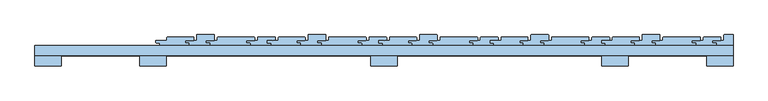
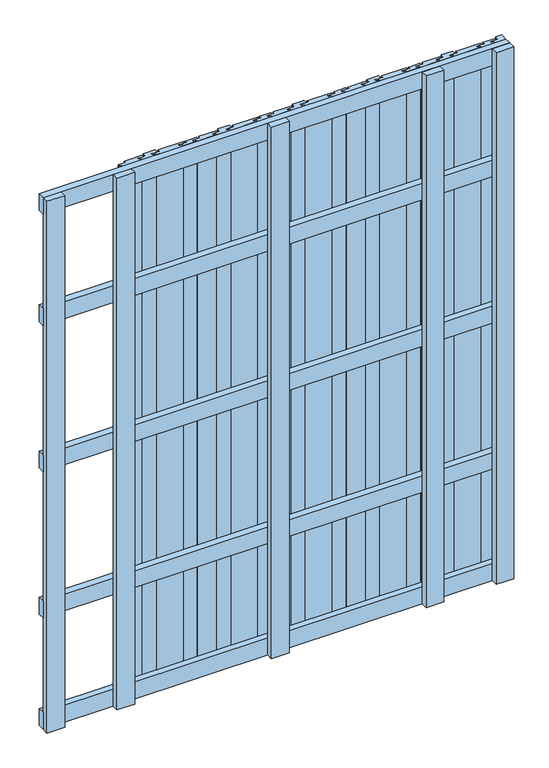
"""IFC4 building model written with IfcOpenShell, lengths in millimetres: window geometry."""

from ifc_helpers import new_model, si_unit, point, frame, frame_2d, origin, place, context, project, spatial, polyline, circle_curve, trimmed, segment, composite_curve, outline, extrude, source, transform, mapped, element, save


def window_20337ba6(model_context):
    return source(origin(), model_context, "Body", "SweptSolid", [
        extrude(outline(polyline([(-830.5, 148.0), (830.5, 148.0), (830.5, 124.0), (-830.5, 124.0), (-830.5, 148.0)])), frame((0.0, 0.0, 1618.5), z_axis=(0.0, 0.0, 1.0), x_axis=(1.0, 0.0, 0.0)), (0.0, 0.0, 1.0), 63.0),
        extrude(outline(polyline([(-830.5, 148.0), (830.5, 148.0), (830.5, 124.0), (-830.5, 124.0), (-830.5, 148.0)])), frame((0.0, 0.0, 1068.5), z_axis=(0.0, 0.0, 1.0), x_axis=(1.0, 0.0, 0.0)), (0.0, 0.0, 1.0), 63.0),
        extrude(outline(polyline([(-830.5, 148.0), (830.5, 148.0), (830.5, 124.0), (-830.5, 124.0), (-830.5, 148.0)])), frame((0.0, 0.0, 518.5), z_axis=(0.0, 0.0, 1.0), x_axis=(1.0, 0.0, 0.0)), (0.0, 0.0, 1.0), 63.0),
        extrude(outline(polyline([(-830.5, 148.0), (830.5, 148.0), (830.5, 124.0), (-830.5, 124.0), (-830.5, 148.0)])), frame((0.0, 0.0, 2037.0), z_axis=(0.0, 0.0, 1.0), x_axis=(1.0, 0.0, 0.0)), (0.0, 0.0, 1.0), 63.0),
        extrude(outline(polyline([(-830.5, 148.0), (830.5, 148.0), (830.5, 124.0), (-830.5, 124.0), (-830.5, 148.0)])), frame((0.0, 0.0, 100.0), z_axis=(0.0, 0.0, 1.0), x_axis=(1.0, 0.0, 0.0)), (0.0, 0.0, 1.0), 63.0),
        extrude(outline(polyline([(581.5, 124.0), (581.5, 100.0), (518.5, 100.0), (518.5, 124.0), (581.5, 124.0)])), frame((0.0, 0.0, 100.0), z_axis=(0.0, 0.0, 1.0), x_axis=(1.0, 0.0, 0.0)), (0.0, 0.0, 1.0), 2000.0),
        extrude(outline(polyline([(31.5, 124.0), (31.5, 100.0), (-31.5, 100.0), (-31.5, 124.0), (31.5, 124.0)])), frame((0.0, 0.0, 100.0), z_axis=(0.0, 0.0, 1.0), x_axis=(1.0, 0.0, 0.0)), (0.0, 0.0, 1.0), 2000.0),
        extrude(outline(polyline([(-518.5, 124.0), (-518.5, 100.0), (-581.5, 100.0), (-581.5, 124.0), (-518.5, 124.0)])), frame((0.0, 0.0, 100.0), z_axis=(0.0, 0.0, 1.0), x_axis=(1.0, 0.0, 0.0)), (0.0, 0.0, 1.0), 2000.0),
        extrude(outline(polyline([(830.5, 124.0), (830.5, 100.0), (767.5, 100.0), (767.5, 124.0), (830.5, 124.0)])), frame((0.0, 0.0, 100.0), z_axis=(0.0, 0.0, 1.0), x_axis=(1.0, 0.0, 0.0)), (0.0, 0.0, 1.0), 2000.0),
        extrude(outline(polyline([(-767.5, 124.0), (-767.5, 100.0), (-830.5, 100.0), (-830.5, 124.0), (-767.5, 124.0)])), frame((0.0, 0.0, 100.0), z_axis=(0.0, 0.0, 1.0), x_axis=(1.0, 0.0, 0.0)), (0.0, 0.0, 1.0), 2000.0),
        extrude(outline(composite_curve([segment(trimmed(circle_curve(frame_2d((518.5, 155.25)), 1.0), [point((518.5, 154.25))], [point((517.5, 155.25))], False, "CARTESIAN"), True, "CONTINUOUS"), segment(polyline([(517.5, 155.25), (517.5, 160.25), (528.7641697, 160.25)]), True, "CONTINUOUS"), segment(trimmed(circle_curve(frame_2d((528.7532725, 159.2500594)), 1.0), [point((528.7641697, 160.25))], [point((529.6213296, 159.7465238))], False, "CARTESIAN"), True, "CONTINUOUS"), segment(trimmed(circle_curve(frame_2d((530.5, 160.2239526)), 1.0), [point((529.6213296, 159.7465238))], [point((531.3786704, 159.7465238))], True, "CARTESIAN"), True, "CONTINUOUS"), segment(trimmed(circle_curve(frame_2d((532.2468786, 159.2497192)), 1.0003001), [point((531.3786704, 159.7465238))], [point((532.2406766, 160.25))], False, "CARTESIAN"), True, "CONTINUOUS"), segment(polyline([(532.2406766, 160.25), (543.5, 160.25), (543.5, 167.0000073)]), True, "CONTINUOUS"), segment(trimmed(circle_curve(frame_2d((544.5, 167.0000073)), 1.0), [point((543.5, 167.0000073))], [point((544.5038108, 168.0))], False, "CARTESIAN"), True, "CONTINUOUS"), segment(polyline([(544.5038108, 168.0), (606.4963541, 168.0)]), True, "CONTINUOUS"), segment(trimmed(circle_curve(frame_2d((606.500165, 167.0000073)), 1.0), [point((606.4963541, 168.0))], [point((607.5, 166.9818438))], False, "CARTESIAN"), True, "CONTINUOUS"), segment(polyline([(607.5, 166.9818438), (607.5, 161.5)]), True, "CONTINUOUS"), segment(trimmed(circle_curve(frame_2d((606.5, 161.5)), 1.0), [point((607.5, 161.5))], [point((606.5, 160.5))], False, "CARTESIAN"), True, "CONTINUOUS"), segment(polyline([(606.5, 160.5), (587.5, 160.5), (587.5, 154.0), (594.5, 154.0)]), True, "CONTINUOUS"), segment(trimmed(circle_curve(frame_2d((594.5, 153.0)), 1.0), [point((594.5, 154.0))], [point((595.5, 153.0))], False, "CARTESIAN"), True, "CONTINUOUS"), segment(polyline([(595.5, 153.0), (595.5, 148.0), (526.5, 148.0), (526.5, 154.25), (518.5, 154.25)]), True, "CONTINUOUS")], self_intersect=False)), frame((0.0, 0.0, 100.0), z_axis=(0.0, 0.0, 1.0), x_axis=(1.0, 0.0, 0.0)), (0.0, 0.0, 1.0), 2000.0),
        extrude(outline(composite_curve([segment(trimmed(circle_curve(frame_2d((589.5, 155.25)), 1.0), [point((589.5, 154.25))], [point((588.5, 155.25))], False, "CARTESIAN"), True, "CONTINUOUS"), segment(polyline([(588.5, 155.25), (588.5, 160.25), (599.7641697, 160.25)]), True, "CONTINUOUS"), segment(trimmed(circle_curve(frame_2d((599.7532725, 159.2500594)), 1.0), [point((599.7641697, 160.25))], [point((600.6213296, 159.7465238))], False, "CARTESIAN"), True, "CONTINUOUS"), segment(trimmed(circle_curve(frame_2d((601.5, 160.2239526)), 1.0), [point((600.6213296, 159.7465238))], [point((602.3786704, 159.7465238))], True, "CARTESIAN"), True, "CONTINUOUS"), segment(trimmed(circle_curve(frame_2d((603.2468786, 159.2497192)), 1.0003001), [point((602.3786704, 159.7465238))], [point((603.2406766, 160.25))], False, "CARTESIAN"), True, "CONTINUOUS"), segment(polyline([(603.2406766, 160.25), (614.5, 160.25), (614.5, 173.0000073)]), True, "CONTINUOUS"), segment(trimmed(circle_curve(frame_2d((615.5, 173.0000073)), 1.0), [point((614.5, 173.0000073))], [point((615.5038108, 174.0))], False, "CARTESIAN"), True, "CONTINUOUS"), segment(polyline([(615.5038108, 174.0), (655.4963541, 174.0)]), True, "CONTINUOUS"), segment(trimmed(circle_curve(frame_2d((655.500165, 173.0000073)), 1.0), [point((655.4963541, 174.0))], [point((656.5, 172.9818438))], False, "CARTESIAN"), True, "CONTINUOUS"), segment(polyline([(656.5, 172.9818438), (656.5, 161.5)]), True, "CONTINUOUS"), segment(trimmed(circle_curve(frame_2d((655.5, 161.5)), 1.0), [point((656.5, 161.5))], [point((655.5, 160.5))], False, "CARTESIAN"), True, "CONTINUOUS"), segment(polyline([(655.5, 160.5), (636.5, 160.5), (636.5, 154.0), (644.5, 154.0)]), True, "CONTINUOUS"), segment(trimmed(circle_curve(frame_2d((644.5, 153.0)), 1.0), [point((644.5, 154.0))], [point((645.5, 153.0))], False, "CARTESIAN"), True, "CONTINUOUS"), segment(polyline([(645.5, 153.0), (645.5, 148.0), (596.5, 148.0), (596.5, 154.25), (589.5, 154.25)]), True, "CONTINUOUS")], self_intersect=False)), frame((0.0, 0.0, 100.0), z_axis=(0.0, 0.0, 1.0), x_axis=(1.0, 0.0, 0.0)), (0.0, 0.0, 1.0), 2000.0),
        extrude(outline(composite_curve([segment(trimmed(circle_curve(frame_2d((638.5, 155.25)), 1.0), [point((638.5, 154.25))], [point((637.5, 155.25))], False, "CARTESIAN"), True, "CONTINUOUS"), segment(polyline([(637.5, 155.25), (637.5, 160.25), (648.7641697, 160.25)]), True, "CONTINUOUS"), segment(trimmed(circle_curve(frame_2d((648.7532725, 159.2500594)), 1.0), [point((648.7641697, 160.25))], [point((649.6213296, 159.7465238))], False, "CARTESIAN"), True, "CONTINUOUS"), segment(trimmed(circle_curve(frame_2d((650.5, 160.2239526)), 1.0), [point((649.6213296, 159.7465238))], [point((651.3786704, 159.7465238))], True, "CARTESIAN"), True, "CONTINUOUS"), segment(trimmed(circle_curve(frame_2d((652.2468786, 159.2497192)), 1.0003001), [point((651.3786704, 159.7465238))], [point((652.2406766, 160.25))], False, "CARTESIAN"), True, "CONTINUOUS"), segment(polyline([(652.2406766, 160.25), (663.5, 160.25), (663.5, 167.0000073)]), True, "CONTINUOUS"), segment(trimmed(circle_curve(frame_2d((664.5, 167.0000073)), 1.0), [point((663.5, 167.0000073))], [point((664.5038108, 168.0))], False, "CARTESIAN"), True, "CONTINUOUS"), segment(polyline([(664.5038108, 168.0), (751.4963541, 168.0)]), True, "CONTINUOUS"), segment(trimmed(circle_curve(frame_2d((751.500165, 167.0000073)), 1.0), [point((751.4963541, 168.0))], [point((752.5, 166.9818438))], False, "CARTESIAN"), True, "CONTINUOUS"), segment(polyline([(752.5, 166.9818438), (752.5, 161.5)]), True, "CONTINUOUS"), segment(trimmed(circle_curve(frame_2d((751.5, 161.5)), 1.0), [point((752.5, 161.5))], [point((751.5, 160.5))], False, "CARTESIAN"), True, "CONTINUOUS"), segment(polyline([(751.5, 160.5), (732.5, 160.5), (732.5, 154.0), (740.5, 154.0)]), True, "CONTINUOUS"), segment(trimmed(circle_curve(frame_2d((740.5, 153.0)), 1.0), [point((740.5, 154.0))], [point((741.5, 153.0))], False, "CARTESIAN"), True, "CONTINUOUS"), segment(polyline([(741.5, 153.0), (741.5, 148.0), (646.5, 148.0), (646.5, 154.25), (638.5, 154.25)]), True, "CONTINUOUS")], self_intersect=False)), frame((0.0, 0.0, 100.0), z_axis=(0.0, 0.0, 1.0), x_axis=(1.0, 0.0, 0.0)), (0.0, 0.0, 1.0), 2000.0),
        extrude(outline(composite_curve([segment(trimmed(circle_curve(frame_2d((734.5, 155.25)), 1.0), [point((734.5, 154.25))], [point((733.5, 155.25))], False, "CARTESIAN"), True, "CONTINUOUS"), segment(polyline([(733.5, 155.25), (733.5, 160.25), (744.7641697, 160.25)]), True, "CONTINUOUS"), segment(trimmed(circle_curve(frame_2d((744.7532725, 159.2500594)), 1.0), [point((744.7641697, 160.25))], [point((745.6213296, 159.7465238))], False, "CARTESIAN"), True, "CONTINUOUS"), segment(trimmed(circle_curve(frame_2d((746.5, 160.2239526)), 1.0), [point((745.6213296, 159.7465238))], [point((747.3786704, 159.7465238))], True, "CARTESIAN"), True, "CONTINUOUS"), segment(trimmed(circle_curve(frame_2d((748.2468786, 159.2497192)), 1.0003001), [point((747.3786704, 159.7465238))], [point((748.2406766, 160.25))], False, "CARTESIAN"), True, "CONTINUOUS"), segment(polyline([(748.2406766, 160.25), (759.5, 160.25), (759.5, 167.0000073)]), True, "CONTINUOUS"), segment(trimmed(circle_curve(frame_2d((760.5, 167.0000073)), 1.0), [point((759.5, 167.0000073))], [point((760.5038108, 168.0))], False, "CARTESIAN"), True, "CONTINUOUS"), segment(polyline([(760.5038108, 168.0), (800.4963541, 168.0)]), True, "CONTINUOUS"), segment(trimmed(circle_curve(frame_2d((800.500165, 167.0000073)), 1.0), [point((800.4963541, 168.0))], [point((801.5, 166.9818438))], False, "CARTESIAN"), True, "CONTINUOUS"), segment(polyline([(801.5, 166.9818438), (801.5, 161.5)]), True, "CONTINUOUS"), segment(trimmed(circle_curve(frame_2d((800.5, 161.5)), 1.0), [point((801.5, 161.5))], [point((800.5, 160.5))], False, "CARTESIAN"), True, "CONTINUOUS"), segment(polyline([(800.5, 160.5), (781.5, 160.5), (781.5, 154.0), (789.5, 154.0)]), True, "CONTINUOUS"), segment(trimmed(circle_curve(frame_2d((789.5, 153.0)), 1.0), [point((789.5, 154.0))], [point((790.5, 153.0))], False, "CARTESIAN"), True, "CONTINUOUS"), segment(polyline([(790.5, 153.0), (790.5, 148.0), (742.5, 148.0), (742.5, 154.25), (734.5, 154.25)]), True, "CONTINUOUS")], self_intersect=False)), frame((0.0, 0.0, 100.0), z_axis=(0.0, 0.0, 1.0), x_axis=(1.0, 0.0, 0.0)), (0.0, 0.0, 1.0), 2000.0),
        extrude(outline(composite_curve([segment(trimmed(circle_curve(frame_2d((253.5, 155.25)), 1.0), [point((253.5, 154.25))], [point((252.5, 155.25))], False, "CARTESIAN"), True, "CONTINUOUS"), segment(polyline([(252.5, 155.25), (252.5, 160.25), (263.7641697, 160.25)]), True, "CONTINUOUS"), segment(trimmed(circle_curve(frame_2d((263.7532725, 159.2500594)), 1.0), [point((263.7641697, 160.25))], [point((264.6213296, 159.7465238))], False, "CARTESIAN"), True, "CONTINUOUS"), segment(trimmed(circle_curve(frame_2d((265.5, 160.2239526)), 1.0), [point((264.6213296, 159.7465238))], [point((266.3786704, 159.7465238))], True, "CARTESIAN"), True, "CONTINUOUS"), segment(trimmed(circle_curve(frame_2d((267.2468786, 159.2497192)), 1.0003001), [point((266.3786704, 159.7465238))], [point((267.2406766, 160.25))], False, "CARTESIAN"), True, "CONTINUOUS"), segment(polyline([(267.2406766, 160.25), (278.5, 160.25), (278.5, 167.0000073)]), True, "CONTINUOUS"), segment(trimmed(circle_curve(frame_2d((279.5, 167.0000073)), 1.0), [point((278.5, 167.0000073))], [point((279.5038108, 168.0))], False, "CARTESIAN"), True, "CONTINUOUS"), segment(polyline([(279.5038108, 168.0), (341.4963541, 168.0)]), True, "CONTINUOUS"), segment(trimmed(circle_curve(frame_2d((341.500165, 167.0000073)), 1.0), [point((341.4963541, 168.0))], [point((342.5, 166.9818438))], False, "CARTESIAN"), True, "CONTINUOUS"), segment(polyline([(342.5, 166.9818438), (342.5, 161.5)]), True, "CONTINUOUS"), segment(trimmed(circle_curve(frame_2d((341.5, 161.5)), 1.0), [point((342.5, 161.5))], [point((341.5, 160.5))], False, "CARTESIAN"), True, "CONTINUOUS"), segment(polyline([(341.5, 160.5), (322.5, 160.5), (322.5, 154.0), (329.5, 154.0)]), True, "CONTINUOUS"), segment(trimmed(circle_curve(frame_2d((329.5, 153.0)), 1.0), [point((329.5, 154.0))], [point((330.5, 153.0))], False, "CARTESIAN"), True, "CONTINUOUS"), segment(polyline([(330.5, 153.0), (330.5, 148.0), (261.5, 148.0), (261.5, 154.25), (253.5, 154.25)]), True, "CONTINUOUS")], self_intersect=False)), frame((0.0, 0.0, 100.0), z_axis=(0.0, 0.0, 1.0), x_axis=(1.0, 0.0, 0.0)), (0.0, 0.0, 1.0), 2000.0),
        extrude(outline(composite_curve([segment(trimmed(circle_curve(frame_2d((324.5, 155.25)), 1.0), [point((324.5, 154.25))], [point((323.5, 155.25))], False, "CARTESIAN"), True, "CONTINUOUS"), segment(polyline([(323.5, 155.25), (323.5, 160.25), (334.7641697, 160.25)]), True, "CONTINUOUS"), segment(trimmed(circle_curve(frame_2d((334.7532725, 159.2500594)), 1.0), [point((334.7641697, 160.25))], [point((335.6213296, 159.7465238))], False, "CARTESIAN"), True, "CONTINUOUS"), segment(trimmed(circle_curve(frame_2d((336.5, 160.2239526)), 1.0), [point((335.6213296, 159.7465238))], [point((337.3786704, 159.7465238))], True, "CARTESIAN"), True, "CONTINUOUS"), segment(trimmed(circle_curve(frame_2d((338.2468786, 159.2497192)), 1.0003001), [point((337.3786704, 159.7465238))], [point((338.2406766, 160.25))], False, "CARTESIAN"), True, "CONTINUOUS"), segment(polyline([(338.2406766, 160.25), (349.5, 160.25), (349.5, 173.0000073)]), True, "CONTINUOUS"), segment(trimmed(circle_curve(frame_2d((350.5, 173.0000073)), 1.0), [point((349.5, 173.0000073))], [point((350.5038108, 174.0))], False, "CARTESIAN"), True, "CONTINUOUS"), segment(polyline([(350.5038108, 174.0), (390.4963541, 174.0)]), True, "CONTINUOUS"), segment(trimmed(circle_curve(frame_2d((390.500165, 173.0000073)), 1.0), [point((390.4963541, 174.0))], [point((391.5, 172.9818438))], False, "CARTESIAN"), True, "CONTINUOUS"), segment(polyline([(391.5, 172.9818438), (391.5, 161.5)]), True, "CONTINUOUS"), segment(trimmed(circle_curve(frame_2d((390.5, 161.5)), 1.0), [point((391.5, 161.5))], [point((390.5, 160.5))], False, "CARTESIAN"), True, "CONTINUOUS"), segment(polyline([(390.5, 160.5), (371.5, 160.5), (371.5, 154.0), (379.5, 154.0)]), True, "CONTINUOUS"), segment(trimmed(circle_curve(frame_2d((379.5, 153.0)), 1.0), [point((379.5, 154.0))], [point((380.5, 153.0))], False, "CARTESIAN"), True, "CONTINUOUS"), segment(polyline([(380.5, 153.0), (380.5, 148.0), (331.5, 148.0), (331.5, 154.25), (324.5, 154.25)]), True, "CONTINUOUS")], self_intersect=False)), frame((0.0, 0.0, 100.0), z_axis=(0.0, 0.0, 1.0), x_axis=(1.0, 0.0, 0.0)), (0.0, 0.0, 1.0), 2000.0),
        extrude(outline(composite_curve([segment(trimmed(circle_curve(frame_2d((373.5, 155.25)), 1.0), [point((373.5, 154.25))], [point((372.5, 155.25))], False, "CARTESIAN"), True, "CONTINUOUS"), segment(polyline([(372.5, 155.25), (372.5, 160.25), (383.7641697, 160.25)]), True, "CONTINUOUS"), segment(trimmed(circle_curve(frame_2d((383.7532725, 159.2500594)), 1.0), [point((383.7641697, 160.25))], [point((384.6213296, 159.7465238))], False, "CARTESIAN"), True, "CONTINUOUS"), segment(trimmed(circle_curve(frame_2d((385.5, 160.2239526)), 1.0), [point((384.6213296, 159.7465238))], [point((386.3786704, 159.7465238))], True, "CARTESIAN"), True, "CONTINUOUS"), segment(trimmed(circle_curve(frame_2d((387.2468786, 159.2497192)), 1.0003001), [point((386.3786704, 159.7465238))], [point((387.2406766, 160.25))], False, "CARTESIAN"), True, "CONTINUOUS"), segment(polyline([(387.2406766, 160.25), (398.5, 160.25), (398.5, 167.0000073)]), True, "CONTINUOUS"), segment(trimmed(circle_curve(frame_2d((399.5, 167.0000073)), 1.0), [point((398.5, 167.0000073))], [point((399.5038108, 168.0))], False, "CARTESIAN"), True, "CONTINUOUS"), segment(polyline([(399.5038108, 168.0), (486.4963541, 168.0)]), True, "CONTINUOUS"), segment(trimmed(circle_curve(frame_2d((486.500165, 167.0000073)), 1.0), [point((486.4963541, 168.0))], [point((487.5, 166.9818438))], False, "CARTESIAN"), True, "CONTINUOUS"), segment(polyline([(487.5, 166.9818438), (487.5, 161.5)]), True, "CONTINUOUS"), segment(trimmed(circle_curve(frame_2d((486.5, 161.5)), 1.0), [point((487.5, 161.5))], [point((486.5, 160.5))], False, "CARTESIAN"), True, "CONTINUOUS"), segment(polyline([(486.5, 160.5), (467.5, 160.5), (467.5, 154.0), (475.5, 154.0)]), True, "CONTINUOUS"), segment(trimmed(circle_curve(frame_2d((475.5, 153.0)), 1.0), [point((475.5, 154.0))], [point((476.5, 153.0))], False, "CARTESIAN"), True, "CONTINUOUS"), segment(polyline([(476.5, 153.0), (476.5, 148.0), (381.5, 148.0), (381.5, 154.25), (373.5, 154.25)]), True, "CONTINUOUS")], self_intersect=False)), frame((0.0, 0.0, 100.0), z_axis=(0.0, 0.0, 1.0), x_axis=(1.0, 0.0, 0.0)), (0.0, 0.0, 1.0), 2000.0),
        extrude(outline(composite_curve([segment(trimmed(circle_curve(frame_2d((469.5, 155.25)), 1.0), [point((469.5, 154.25))], [point((468.5, 155.25))], False, "CARTESIAN"), True, "CONTINUOUS"), segment(polyline([(468.5, 155.25), (468.5, 160.25), (479.7641697, 160.25)]), True, "CONTINUOUS"), segment(trimmed(circle_curve(frame_2d((479.7532725, 159.2500594)), 1.0), [point((479.7641697, 160.25))], [point((480.6213296, 159.7465238))], False, "CARTESIAN"), True, "CONTINUOUS"), segment(trimmed(circle_curve(frame_2d((481.5, 160.2239526)), 1.0), [point((480.6213296, 159.7465238))], [point((482.3786704, 159.7465238))], True, "CARTESIAN"), True, "CONTINUOUS"), segment(trimmed(circle_curve(frame_2d((483.2468786, 159.2497192)), 1.0003001), [point((482.3786704, 159.7465238))], [point((483.2406766, 160.25))], False, "CARTESIAN"), True, "CONTINUOUS"), segment(polyline([(483.2406766, 160.25), (494.5, 160.25), (494.5, 167.0000073)]), True, "CONTINUOUS"), segment(trimmed(circle_curve(frame_2d((495.5, 167.0000073)), 1.0), [point((494.5, 167.0000073))], [point((495.5038108, 168.0))], False, "CARTESIAN"), True, "CONTINUOUS"), segment(polyline([(495.5038108, 168.0), (535.4963541, 168.0)]), True, "CONTINUOUS"), segment(trimmed(circle_curve(frame_2d((535.500165, 167.0000073)), 1.0), [point((535.4963541, 168.0))], [point((536.5, 166.9818438))], False, "CARTESIAN"), True, "CONTINUOUS"), segment(polyline([(536.5, 166.9818438), (536.5, 161.5)]), True, "CONTINUOUS"), segment(trimmed(circle_curve(frame_2d((535.5, 161.5)), 1.0), [point((536.5, 161.5))], [point((535.5, 160.5))], False, "CARTESIAN"), True, "CONTINUOUS"), segment(polyline([(535.5, 160.5), (516.5, 160.5), (516.5, 154.0), (524.5, 154.0)]), True, "CONTINUOUS"), segment(trimmed(circle_curve(frame_2d((524.5, 153.0)), 1.0), [point((524.5, 154.0))], [point((525.5, 153.0))], False, "CARTESIAN"), True, "CONTINUOUS"), segment(polyline([(525.5, 153.0), (525.5, 148.0), (477.5, 148.0), (477.5, 154.25), (469.5, 154.25)]), True, "CONTINUOUS")], self_intersect=False)), frame((0.0, 0.0, 100.0), z_axis=(0.0, 0.0, 1.0), x_axis=(1.0, 0.0, 0.0)), (0.0, 0.0, 1.0), 2000.0),
        extrude(outline(composite_curve([segment(trimmed(circle_curve(frame_2d((-11.5, 155.25)), 1.0), [point((-11.5, 154.25))], [point((-12.5, 155.25))], False, "CARTESIAN"), True, "CONTINUOUS"), segment(polyline([(-12.5, 155.25), (-12.5, 160.25), (-1.2358303, 160.25)]), True, "CONTINUOUS"), segment(trimmed(circle_curve(frame_2d((-1.2467275, 159.2500594)), 1.0), [point((-1.2358303, 160.25))], [point((-0.3786704, 159.7465238))], False, "CARTESIAN"), True, "CONTINUOUS"), segment(trimmed(circle_curve(frame_2d((0.5, 160.2239526)), 1.0), [point((-0.3786704, 159.7465238))], [point((1.3786704, 159.7465238))], True, "CARTESIAN"), True, "CONTINUOUS"), segment(trimmed(circle_curve(frame_2d((2.2468786, 159.2497192)), 1.0003001), [point((1.3786704, 159.7465238))], [point((2.2406766, 160.25))], False, "CARTESIAN"), True, "CONTINUOUS"), segment(polyline([(2.2406766, 160.25), (13.5, 160.25), (13.5, 167.0000073)]), True, "CONTINUOUS"), segment(trimmed(circle_curve(frame_2d((14.5, 167.0000073)), 1.0), [point((13.5, 167.0000073))], [point((14.5038108, 168.0))], False, "CARTESIAN"), True, "CONTINUOUS"), segment(polyline([(14.5038108, 168.0), (76.4963541, 168.0)]), True, "CONTINUOUS"), segment(trimmed(circle_curve(frame_2d((76.500165, 167.0000073)), 1.0), [point((76.4963541, 168.0))], [point((77.5, 166.9818438))], False, "CARTESIAN"), True, "CONTINUOUS"), segment(polyline([(77.5, 166.9818438), (77.5, 161.5)]), True, "CONTINUOUS"), segment(trimmed(circle_curve(frame_2d((76.5, 161.5)), 1.0), [point((77.5, 161.5))], [point((76.5, 160.5))], False, "CARTESIAN"), True, "CONTINUOUS"), segment(polyline([(76.5, 160.5), (57.5, 160.5), (57.5, 154.0), (64.5, 154.0)]), True, "CONTINUOUS"), segment(trimmed(circle_curve(frame_2d((64.5, 153.0)), 1.0), [point((64.5, 154.0))], [point((65.5, 153.0))], False, "CARTESIAN"), True, "CONTINUOUS"), segment(polyline([(65.5, 153.0), (65.5, 148.0), (-3.5, 148.0), (-3.5, 154.25), (-11.5, 154.25)]), True, "CONTINUOUS")], self_intersect=False)), frame((0.0, 0.0, 100.0), z_axis=(0.0, 0.0, 1.0), x_axis=(1.0, 0.0, 0.0)), (0.0, 0.0, 1.0), 2000.0),
        extrude(outline(composite_curve([segment(trimmed(circle_curve(frame_2d((59.5, 155.25)), 1.0), [point((59.5, 154.25))], [point((58.5, 155.25))], False, "CARTESIAN"), True, "CONTINUOUS"), segment(polyline([(58.5, 155.25), (58.5, 160.25), (69.7641697, 160.25)]), True, "CONTINUOUS"), segment(trimmed(circle_curve(frame_2d((69.7532725, 159.2500594)), 1.0), [point((69.7641697, 160.25))], [point((70.6213296, 159.7465238))], False, "CARTESIAN"), True, "CONTINUOUS"), segment(trimmed(circle_curve(frame_2d((71.5, 160.2239526)), 1.0), [point((70.6213296, 159.7465238))], [point((72.3786704, 159.7465238))], True, "CARTESIAN"), True, "CONTINUOUS"), segment(trimmed(circle_curve(frame_2d((73.2468786, 159.2497192)), 1.0003001), [point((72.3786704, 159.7465238))], [point((73.2406766, 160.25))], False, "CARTESIAN"), True, "CONTINUOUS"), segment(polyline([(73.2406766, 160.25), (84.5, 160.25), (84.5, 173.0000073)]), True, "CONTINUOUS"), segment(trimmed(circle_curve(frame_2d((85.5, 173.0000073)), 1.0), [point((84.5, 173.0000073))], [point((85.5038108, 174.0))], False, "CARTESIAN"), True, "CONTINUOUS"), segment(polyline([(85.5038108, 174.0), (125.4963541, 174.0)]), True, "CONTINUOUS"), segment(trimmed(circle_curve(frame_2d((125.500165, 173.0000073)), 1.0), [point((125.4963541, 174.0))], [point((126.5, 172.9818438))], False, "CARTESIAN"), True, "CONTINUOUS"), segment(polyline([(126.5, 172.9818438), (126.5, 161.5)]), True, "CONTINUOUS"), segment(trimmed(circle_curve(frame_2d((125.5, 161.5)), 1.0), [point((126.5, 161.5))], [point((125.5, 160.5))], False, "CARTESIAN"), True, "CONTINUOUS"), segment(polyline([(125.5, 160.5), (106.5, 160.5), (106.5, 154.0), (114.5, 154.0)]), True, "CONTINUOUS"), segment(trimmed(circle_curve(frame_2d((114.5, 153.0)), 1.0), [point((114.5, 154.0))], [point((115.5, 153.0))], False, "CARTESIAN"), True, "CONTINUOUS"), segment(polyline([(115.5, 153.0), (115.5, 148.0), (66.5, 148.0), (66.5, 154.25), (59.5, 154.25)]), True, "CONTINUOUS")], self_intersect=False)), frame((0.0, 0.0, 100.0), z_axis=(0.0, 0.0, 1.0), x_axis=(1.0, 0.0, 0.0)), (0.0, 0.0, 1.0), 2000.0),
        extrude(outline(composite_curve([segment(trimmed(circle_curve(frame_2d((108.5, 155.25)), 1.0), [point((108.5, 154.25))], [point((107.5, 155.25))], False, "CARTESIAN"), True, "CONTINUOUS"), segment(polyline([(107.5, 155.25), (107.5, 160.25), (118.7641697, 160.25)]), True, "CONTINUOUS"), segment(trimmed(circle_curve(frame_2d((118.7532725, 159.2500594)), 1.0), [point((118.7641697, 160.25))], [point((119.6213296, 159.7465238))], False, "CARTESIAN"), True, "CONTINUOUS"), segment(trimmed(circle_curve(frame_2d((120.5, 160.2239526)), 1.0), [point((119.6213296, 159.7465238))], [point((121.3786704, 159.7465238))], True, "CARTESIAN"), True, "CONTINUOUS"), segment(trimmed(circle_curve(frame_2d((122.2468786, 159.2497192)), 1.0003001), [point((121.3786704, 159.7465238))], [point((122.2406766, 160.25))], False, "CARTESIAN"), True, "CONTINUOUS"), segment(polyline([(122.2406766, 160.25), (133.5, 160.25), (133.5, 167.0000073)]), True, "CONTINUOUS"), segment(trimmed(circle_curve(frame_2d((134.5, 167.0000073)), 1.0), [point((133.5, 167.0000073))], [point((134.5038108, 168.0))], False, "CARTESIAN"), True, "CONTINUOUS"), segment(polyline([(134.5038108, 168.0), (221.4963541, 168.0)]), True, "CONTINUOUS"), segment(trimmed(circle_curve(frame_2d((221.500165, 167.0000073)), 1.0), [point((221.4963541, 168.0))], [point((222.5, 166.9818438))], False, "CARTESIAN"), True, "CONTINUOUS"), segment(polyline([(222.5, 166.9818438), (222.5, 161.5)]), True, "CONTINUOUS"), segment(trimmed(circle_curve(frame_2d((221.5, 161.5)), 1.0), [point((222.5, 161.5))], [point((221.5, 160.5))], False, "CARTESIAN"), True, "CONTINUOUS"), segment(polyline([(221.5, 160.5), (202.5, 160.5), (202.5, 154.0), (210.5, 154.0)]), True, "CONTINUOUS"), segment(trimmed(circle_curve(frame_2d((210.5, 153.0)), 1.0), [point((210.5, 154.0))], [point((211.5, 153.0))], False, "CARTESIAN"), True, "CONTINUOUS"), segment(polyline([(211.5, 153.0), (211.5, 148.0), (116.5, 148.0), (116.5, 154.25), (108.5, 154.25)]), True, "CONTINUOUS")], self_intersect=False)), frame((0.0, 0.0, 100.0), z_axis=(0.0, 0.0, 1.0), x_axis=(1.0, 0.0, 0.0)), (0.0, 0.0, 1.0), 2000.0),
        extrude(outline(composite_curve([segment(trimmed(circle_curve(frame_2d((204.5, 155.25)), 1.0), [point((204.5, 154.25))], [point((203.5, 155.25))], False, "CARTESIAN"), True, "CONTINUOUS"), segment(polyline([(203.5, 155.25), (203.5, 160.25), (214.7641697, 160.25)]), True, "CONTINUOUS"), segment(trimmed(circle_curve(frame_2d((214.7532725, 159.2500594)), 1.0), [point((214.7641697, 160.25))], [point((215.6213296, 159.7465238))], False, "CARTESIAN"), True, "CONTINUOUS"), segment(trimmed(circle_curve(frame_2d((216.5, 160.2239526)), 1.0), [point((215.6213296, 159.7465238))], [point((217.3786704, 159.7465238))], True, "CARTESIAN"), True, "CONTINUOUS"), segment(trimmed(circle_curve(frame_2d((218.2468786, 159.2497192)), 1.0003001), [point((217.3786704, 159.7465238))], [point((218.2406766, 160.25))], False, "CARTESIAN"), True, "CONTINUOUS"), segment(polyline([(218.2406766, 160.25), (229.5, 160.25), (229.5, 167.0000073)]), True, "CONTINUOUS"), segment(trimmed(circle_curve(frame_2d((230.5, 167.0000073)), 1.0), [point((229.5, 167.0000073))], [point((230.5038108, 168.0))], False, "CARTESIAN"), True, "CONTINUOUS"), segment(polyline([(230.5038108, 168.0), (270.4963541, 168.0)]), True, "CONTINUOUS"), segment(trimmed(circle_curve(frame_2d((270.500165, 167.0000073)), 1.0), [point((270.4963541, 168.0))], [point((271.5, 166.9818438))], False, "CARTESIAN"), True, "CONTINUOUS"), segment(polyline([(271.5, 166.9818438), (271.5, 161.5)]), True, "CONTINUOUS"), segment(trimmed(circle_curve(frame_2d((270.5, 161.5)), 1.0), [point((271.5, 161.5))], [point((270.5, 160.5))], False, "CARTESIAN"), True, "CONTINUOUS"), segment(polyline([(270.5, 160.5), (251.5, 160.5), (251.5, 154.0), (259.5, 154.0)]), True, "CONTINUOUS"), segment(trimmed(circle_curve(frame_2d((259.5, 153.0)), 1.0), [point((259.5, 154.0))], [point((260.5, 153.0))], False, "CARTESIAN"), True, "CONTINUOUS"), segment(polyline([(260.5, 153.0), (260.5, 148.0), (212.5, 148.0), (212.5, 154.25), (204.5, 154.25)]), True, "CONTINUOUS")], self_intersect=False)), frame((0.0, 0.0, 100.0), z_axis=(0.0, 0.0, 1.0), x_axis=(1.0, 0.0, 0.0)), (0.0, 0.0, 1.0), 2000.0),
        extrude(outline(composite_curve([segment(trimmed(circle_curve(frame_2d((-276.5, 155.25)), 1.0), [point((-276.5, 154.25))], [point((-277.5, 155.25))], False, "CARTESIAN"), True, "CONTINUOUS"), segment(polyline([(-277.5, 155.25), (-277.5, 160.25), (-266.2358303, 160.25)]), True, "CONTINUOUS"), segment(trimmed(circle_curve(frame_2d((-266.2467275, 159.2500594)), 1.0), [point((-266.2358303, 160.25))], [point((-265.3786704, 159.7465238))], False, "CARTESIAN"), True, "CONTINUOUS"), segment(trimmed(circle_curve(frame_2d((-264.5, 160.2239526)), 1.0), [point((-265.3786704, 159.7465238))], [point((-263.6213296, 159.7465238))], True, "CARTESIAN"), True, "CONTINUOUS"), segment(trimmed(circle_curve(frame_2d((-262.7531214, 159.2497192)), 1.0003001), [point((-263.6213296, 159.7465238))], [point((-262.7593234, 160.25))], False, "CARTESIAN"), True, "CONTINUOUS"), segment(polyline([(-262.7593234, 160.25), (-251.5, 160.25), (-251.5, 167.0000073)]), True, "CONTINUOUS"), segment(trimmed(circle_curve(frame_2d((-250.5, 167.0000073)), 1.0), [point((-251.5, 167.0000073))], [point((-250.4961892, 168.0))], False, "CARTESIAN"), True, "CONTINUOUS"), segment(polyline([(-250.4961892, 168.0), (-188.5036459, 168.0)]), True, "CONTINUOUS"), segment(trimmed(circle_curve(frame_2d((-188.499835, 167.0000073)), 1.0), [point((-188.5036459, 168.0))], [point((-187.5, 166.9818438))], False, "CARTESIAN"), True, "CONTINUOUS"), segment(polyline([(-187.5, 166.9818438), (-187.5, 161.5)]), True, "CONTINUOUS"), segment(trimmed(circle_curve(frame_2d((-188.5, 161.5)), 1.0), [point((-187.5, 161.5))], [point((-188.5, 160.5))], False, "CARTESIAN"), True, "CONTINUOUS"), segment(polyline([(-188.5, 160.5), (-207.5, 160.5), (-207.5, 154.0), (-200.5, 154.0)]), True, "CONTINUOUS"), segment(trimmed(circle_curve(frame_2d((-200.5, 153.0)), 1.0), [point((-200.5, 154.0))], [point((-199.5, 153.0))], False, "CARTESIAN"), True, "CONTINUOUS"), segment(polyline([(-199.5, 153.0), (-199.5, 148.0), (-268.5, 148.0), (-268.5, 154.25), (-276.5, 154.25)]), True, "CONTINUOUS")], self_intersect=False)), frame((0.0, 0.0, 100.0), z_axis=(0.0, 0.0, 1.0), x_axis=(1.0, 0.0, 0.0)), (0.0, 0.0, 1.0), 2000.0),
        extrude(outline(composite_curve([segment(trimmed(circle_curve(frame_2d((-205.5, 155.25)), 1.0), [point((-205.5, 154.25))], [point((-206.5, 155.25))], False, "CARTESIAN"), True, "CONTINUOUS"), segment(polyline([(-206.5, 155.25), (-206.5, 160.25), (-195.2358303, 160.25)]), True, "CONTINUOUS"), segment(trimmed(circle_curve(frame_2d((-195.2467275, 159.2500594)), 1.0), [point((-195.2358303, 160.25))], [point((-194.3786704, 159.7465238))], False, "CARTESIAN"), True, "CONTINUOUS"), segment(trimmed(circle_curve(frame_2d((-193.5, 160.2239526)), 1.0), [point((-194.3786704, 159.7465238))], [point((-192.6213296, 159.7465238))], True, "CARTESIAN"), True, "CONTINUOUS"), segment(trimmed(circle_curve(frame_2d((-191.7531214, 159.2497192)), 1.0003001), [point((-192.6213296, 159.7465238))], [point((-191.7593234, 160.25))], False, "CARTESIAN"), True, "CONTINUOUS"), segment(polyline([(-191.7593234, 160.25), (-180.5, 160.25), (-180.5, 173.0000073)]), True, "CONTINUOUS"), segment(trimmed(circle_curve(frame_2d((-179.5, 173.0000073)), 1.0), [point((-180.5, 173.0000073))], [point((-179.4961892, 174.0))], False, "CARTESIAN"), True, "CONTINUOUS"), segment(polyline([(-179.4961892, 174.0), (-139.5036459, 174.0)]), True, "CONTINUOUS"), segment(trimmed(circle_curve(frame_2d((-139.499835, 173.0000073)), 1.0), [point((-139.5036459, 174.0))], [point((-138.5, 172.9818438))], False, "CARTESIAN"), True, "CONTINUOUS"), segment(polyline([(-138.5, 172.9818438), (-138.5, 161.5)]), True, "CONTINUOUS"), segment(trimmed(circle_curve(frame_2d((-139.5, 161.5)), 1.0), [point((-138.5, 161.5))], [point((-139.5, 160.5))], False, "CARTESIAN"), True, "CONTINUOUS"), segment(polyline([(-139.5, 160.5), (-158.5, 160.5), (-158.5, 154.0), (-150.5, 154.0)]), True, "CONTINUOUS"), segment(trimmed(circle_curve(frame_2d((-150.5, 153.0)), 1.0), [point((-150.5, 154.0))], [point((-149.5, 153.0))], False, "CARTESIAN"), True, "CONTINUOUS"), segment(polyline([(-149.5, 153.0), (-149.5, 148.0), (-198.5, 148.0), (-198.5, 154.25), (-205.5, 154.25)]), True, "CONTINUOUS")], self_intersect=False)), frame((0.0, 0.0, 100.0), z_axis=(0.0, 0.0, 1.0), x_axis=(1.0, 0.0, 0.0)), (0.0, 0.0, 1.0), 2000.0),
        extrude(outline(composite_curve([segment(trimmed(circle_curve(frame_2d((-156.5, 155.25)), 1.0), [point((-156.5, 154.25))], [point((-157.5, 155.25))], False, "CARTESIAN"), True, "CONTINUOUS"), segment(polyline([(-157.5, 155.25), (-157.5, 160.25), (-146.2358303, 160.25)]), True, "CONTINUOUS"), segment(trimmed(circle_curve(frame_2d((-146.2467275, 159.2500594)), 1.0), [point((-146.2358303, 160.25))], [point((-145.3786704, 159.7465238))], False, "CARTESIAN"), True, "CONTINUOUS"), segment(trimmed(circle_curve(frame_2d((-144.5, 160.2239526)), 1.0), [point((-145.3786704, 159.7465238))], [point((-143.6213296, 159.7465238))], True, "CARTESIAN"), True, "CONTINUOUS"), segment(trimmed(circle_curve(frame_2d((-142.7531214, 159.2497192)), 1.0003001), [point((-143.6213296, 159.7465238))], [point((-142.7593234, 160.25))], False, "CARTESIAN"), True, "CONTINUOUS"), segment(polyline([(-142.7593234, 160.25), (-131.5, 160.25), (-131.5, 167.0000073)]), True, "CONTINUOUS"), segment(trimmed(circle_curve(frame_2d((-130.5, 167.0000073)), 1.0), [point((-131.5, 167.0000073))], [point((-130.4961892, 168.0))], False, "CARTESIAN"), True, "CONTINUOUS"), segment(polyline([(-130.4961892, 168.0), (-43.5036459, 168.0)]), True, "CONTINUOUS"), segment(trimmed(circle_curve(frame_2d((-43.499835, 167.0000073)), 1.0), [point((-43.5036459, 168.0))], [point((-42.5, 166.9818438))], False, "CARTESIAN"), True, "CONTINUOUS"), segment(polyline([(-42.5, 166.9818438), (-42.5, 161.5)]), True, "CONTINUOUS"), segment(trimmed(circle_curve(frame_2d((-43.5, 161.5)), 1.0), [point((-42.5, 161.5))], [point((-43.5, 160.5))], False, "CARTESIAN"), True, "CONTINUOUS"), segment(polyline([(-43.5, 160.5), (-62.5, 160.5), (-62.5, 154.0), (-54.5, 154.0)]), True, "CONTINUOUS"), segment(trimmed(circle_curve(frame_2d((-54.5, 153.0)), 1.0), [point((-54.5, 154.0))], [point((-53.5, 153.0))], False, "CARTESIAN"), True, "CONTINUOUS"), segment(polyline([(-53.5, 153.0), (-53.5, 148.0), (-148.5, 148.0), (-148.5, 154.25), (-156.5, 154.25)]), True, "CONTINUOUS")], self_intersect=False)), frame((0.0, 0.0, 100.0), z_axis=(0.0, 0.0, 1.0), x_axis=(1.0, 0.0, 0.0)), (0.0, 0.0, 1.0), 2000.0),
        extrude(outline(composite_curve([segment(trimmed(circle_curve(frame_2d((-60.5, 155.25)), 1.0), [point((-60.5, 154.25))], [point((-61.5, 155.25))], False, "CARTESIAN"), True, "CONTINUOUS"), segment(polyline([(-61.5, 155.25), (-61.5, 160.25), (-50.2358303, 160.25)]), True, "CONTINUOUS"), segment(trimmed(circle_curve(frame_2d((-50.2467275, 159.2500594)), 1.0), [point((-50.2358303, 160.25))], [point((-49.3786704, 159.7465238))], False, "CARTESIAN"), True, "CONTINUOUS"), segment(trimmed(circle_curve(frame_2d((-48.5, 160.2239526)), 1.0), [point((-49.3786704, 159.7465238))], [point((-47.6213296, 159.7465238))], True, "CARTESIAN"), True, "CONTINUOUS"), segment(trimmed(circle_curve(frame_2d((-46.7531214, 159.2497192)), 1.0003001), [point((-47.6213296, 159.7465238))], [point((-46.7593234, 160.25))], False, "CARTESIAN"), True, "CONTINUOUS"), segment(polyline([(-46.7593234, 160.25), (-35.5, 160.25), (-35.5, 167.0000073)]), True, "CONTINUOUS"), segment(trimmed(circle_curve(frame_2d((-34.5, 167.0000073)), 1.0), [point((-35.5, 167.0000073))], [point((-34.4961892, 168.0))], False, "CARTESIAN"), True, "CONTINUOUS"), segment(polyline([(-34.4961892, 168.0), (5.4963541, 168.0)]), True, "CONTINUOUS"), segment(trimmed(circle_curve(frame_2d((5.500165, 167.0000073)), 1.0), [point((5.4963541, 168.0))], [point((6.5, 166.9818438))], False, "CARTESIAN"), True, "CONTINUOUS"), segment(polyline([(6.5, 166.9818438), (6.5, 161.5)]), True, "CONTINUOUS"), segment(trimmed(circle_curve(frame_2d((5.5, 161.5)), 1.0), [point((6.5, 161.5))], [point((5.5, 160.5))], False, "CARTESIAN"), True, "CONTINUOUS"), segment(polyline([(5.5, 160.5), (-13.5, 160.5), (-13.5, 154.0), (-5.5, 154.0)]), True, "CONTINUOUS"), segment(trimmed(circle_curve(frame_2d((-5.5, 153.0)), 1.0), [point((-5.5, 154.0))], [point((-4.5, 153.0))], False, "CARTESIAN"), True, "CONTINUOUS"), segment(polyline([(-4.5, 153.0), (-4.5, 148.0), (-52.5, 148.0), (-52.5, 154.25), (-60.5, 154.25)]), True, "CONTINUOUS")], self_intersect=False)), frame((0.0, 0.0, 100.0), z_axis=(0.0, 0.0, 1.0), x_axis=(1.0, 0.0, 0.0)), (0.0, 0.0, 1.0), 2000.0),
        extrude(outline(composite_curve([segment(trimmed(circle_curve(frame_2d((-541.5, 155.25)), 1.0), [point((-541.5, 154.25))], [point((-542.5, 155.25))], False, "CARTESIAN"), True, "CONTINUOUS"), segment(polyline([(-542.5, 155.25), (-542.5, 160.25), (-531.2358303, 160.25)]), True, "CONTINUOUS"), segment(trimmed(circle_curve(frame_2d((-531.2467275, 159.2500594)), 1.0), [point((-531.2358303, 160.25))], [point((-530.3786704, 159.7465238))], False, "CARTESIAN"), True, "CONTINUOUS"), segment(trimmed(circle_curve(frame_2d((-529.5, 160.2239526)), 1.0), [point((-530.3786704, 159.7465238))], [point((-528.6213296, 159.7465238))], True, "CARTESIAN"), True, "CONTINUOUS"), segment(trimmed(circle_curve(frame_2d((-527.7531214, 159.2497192)), 1.0003001), [point((-528.6213296, 159.7465238))], [point((-527.7593234, 160.25))], False, "CARTESIAN"), True, "CONTINUOUS"), segment(polyline([(-527.7593234, 160.25), (-516.5, 160.25), (-516.5, 167.0000073)]), True, "CONTINUOUS"), segment(trimmed(circle_curve(frame_2d((-515.5, 167.0000073)), 1.0), [point((-516.5, 167.0000073))], [point((-515.4961892, 168.0))], False, "CARTESIAN"), True, "CONTINUOUS"), segment(polyline([(-515.4961892, 168.0), (-453.5036459, 168.0)]), True, "CONTINUOUS"), segment(trimmed(circle_curve(frame_2d((-453.499835, 167.0000073)), 1.0), [point((-453.5036459, 168.0))], [point((-452.5, 166.9818438))], False, "CARTESIAN"), True, "CONTINUOUS"), segment(polyline([(-452.5, 166.9818438), (-452.5, 161.5)]), True, "CONTINUOUS"), segment(trimmed(circle_curve(frame_2d((-453.5, 161.5)), 1.0), [point((-452.5, 161.5))], [point((-453.5, 160.5))], False, "CARTESIAN"), True, "CONTINUOUS"), segment(polyline([(-453.5, 160.5), (-472.5, 160.5), (-472.5, 154.0), (-465.5, 154.0)]), True, "CONTINUOUS"), segment(trimmed(circle_curve(frame_2d((-465.5, 153.0)), 1.0), [point((-465.5, 154.0))], [point((-464.5, 153.0))], False, "CARTESIAN"), True, "CONTINUOUS"), segment(polyline([(-464.5, 153.0), (-464.5, 148.0), (-533.5, 148.0), (-533.5, 154.25), (-541.5, 154.25)]), True, "CONTINUOUS")], self_intersect=False)), frame((0.0, 0.0, 100.0), z_axis=(0.0, 0.0, 1.0), x_axis=(1.0, 0.0, 0.0)), (0.0, 0.0, 1.0), 2000.0),
        extrude(outline(composite_curve([segment(trimmed(circle_curve(frame_2d((-470.5, 155.25)), 1.0), [point((-470.5, 154.25))], [point((-471.5, 155.25))], False, "CARTESIAN"), True, "CONTINUOUS"), segment(polyline([(-471.5, 155.25), (-471.5, 160.25), (-460.2358303, 160.25)]), True, "CONTINUOUS"), segment(trimmed(circle_curve(frame_2d((-460.2467275, 159.2500594)), 1.0), [point((-460.2358303, 160.25))], [point((-459.3786704, 159.7465238))], False, "CARTESIAN"), True, "CONTINUOUS"), segment(trimmed(circle_curve(frame_2d((-458.5, 160.2239526)), 1.0), [point((-459.3786704, 159.7465238))], [point((-457.6213296, 159.7465238))], True, "CARTESIAN"), True, "CONTINUOUS"), segment(trimmed(circle_curve(frame_2d((-456.7531214, 159.2497192)), 1.0003001), [point((-457.6213296, 159.7465238))], [point((-456.7593234, 160.25))], False, "CARTESIAN"), True, "CONTINUOUS"), segment(polyline([(-456.7593234, 160.25), (-445.5, 160.25), (-445.5, 173.0000073)]), True, "CONTINUOUS"), segment(trimmed(circle_curve(frame_2d((-444.5, 173.0000073)), 1.0), [point((-445.5, 173.0000073))], [point((-444.4961892, 174.0))], False, "CARTESIAN"), True, "CONTINUOUS"), segment(polyline([(-444.4961892, 174.0), (-404.5036459, 174.0)]), True, "CONTINUOUS"), segment(trimmed(circle_curve(frame_2d((-404.499835, 173.0000073)), 1.0), [point((-404.5036459, 174.0))], [point((-403.5, 172.9818438))], False, "CARTESIAN"), True, "CONTINUOUS"), segment(polyline([(-403.5, 172.9818438), (-403.5, 161.5)]), True, "CONTINUOUS"), segment(trimmed(circle_curve(frame_2d((-404.5, 161.5)), 1.0), [point((-403.5, 161.5))], [point((-404.5, 160.5))], False, "CARTESIAN"), True, "CONTINUOUS"), segment(polyline([(-404.5, 160.5), (-423.5, 160.5), (-423.5, 154.0), (-415.5, 154.0)]), True, "CONTINUOUS"), segment(trimmed(circle_curve(frame_2d((-415.5, 153.0)), 1.0), [point((-415.5, 154.0))], [point((-414.5, 153.0))], False, "CARTESIAN"), True, "CONTINUOUS"), segment(polyline([(-414.5, 153.0), (-414.5, 148.0), (-463.5, 148.0), (-463.5, 154.25), (-470.5, 154.25)]), True, "CONTINUOUS")], self_intersect=False)), frame((0.0, 0.0, 100.0), z_axis=(0.0, 0.0, 1.0), x_axis=(1.0, 0.0, 0.0)), (0.0, 0.0, 1.0), 2000.0),
        extrude(outline(composite_curve([segment(trimmed(circle_curve(frame_2d((-421.5, 155.25)), 1.0), [point((-421.5, 154.25))], [point((-422.5, 155.25))], False, "CARTESIAN"), True, "CONTINUOUS"), segment(polyline([(-422.5, 155.25), (-422.5, 160.25), (-411.2358303, 160.25)]), True, "CONTINUOUS"), segment(trimmed(circle_curve(frame_2d((-411.2467275, 159.2500594)), 1.0), [point((-411.2358303, 160.25))], [point((-410.3786704, 159.7465238))], False, "CARTESIAN"), True, "CONTINUOUS"), segment(trimmed(circle_curve(frame_2d((-409.5, 160.2239526)), 1.0), [point((-410.3786704, 159.7465238))], [point((-408.6213296, 159.7465238))], True, "CARTESIAN"), True, "CONTINUOUS"), segment(trimmed(circle_curve(frame_2d((-407.7531214, 159.2497192)), 1.0003001), [point((-408.6213296, 159.7465238))], [point((-407.7593234, 160.25))], False, "CARTESIAN"), True, "CONTINUOUS"), segment(polyline([(-407.7593234, 160.25), (-396.5, 160.25), (-396.5, 167.0000073)]), True, "CONTINUOUS"), segment(trimmed(circle_curve(frame_2d((-395.5, 167.0000073)), 1.0), [point((-396.5, 167.0000073))], [point((-395.4961892, 168.0))], False, "CARTESIAN"), True, "CONTINUOUS"), segment(polyline([(-395.4961892, 168.0), (-308.5036459, 168.0)]), True, "CONTINUOUS"), segment(trimmed(circle_curve(frame_2d((-308.499835, 167.0000073)), 1.0), [point((-308.5036459, 168.0))], [point((-307.5, 166.9818438))], False, "CARTESIAN"), True, "CONTINUOUS"), segment(polyline([(-307.5, 166.9818438), (-307.5, 161.5)]), True, "CONTINUOUS"), segment(trimmed(circle_curve(frame_2d((-308.5, 161.5)), 1.0), [point((-307.5, 161.5))], [point((-308.5, 160.5))], False, "CARTESIAN"), True, "CONTINUOUS"), segment(polyline([(-308.5, 160.5), (-327.5, 160.5), (-327.5, 154.0), (-319.5, 154.0)]), True, "CONTINUOUS"), segment(trimmed(circle_curve(frame_2d((-319.5, 153.0)), 1.0), [point((-319.5, 154.0))], [point((-318.5, 153.0))], False, "CARTESIAN"), True, "CONTINUOUS"), segment(polyline([(-318.5, 153.0), (-318.5, 148.0), (-413.5, 148.0), (-413.5, 154.25), (-421.5, 154.25)]), True, "CONTINUOUS")], self_intersect=False)), frame((0.0, 0.0, 100.0), z_axis=(0.0, 0.0, 1.0), x_axis=(1.0, 0.0, 0.0)), (0.0, 0.0, 1.0), 2000.0),
        extrude(outline(composite_curve([segment(trimmed(circle_curve(frame_2d((-325.5, 155.25)), 1.0), [point((-325.5, 154.25))], [point((-326.5, 155.25))], False, "CARTESIAN"), True, "CONTINUOUS"), segment(polyline([(-326.5, 155.25), (-326.5, 160.25), (-315.2358303, 160.25)]), True, "CONTINUOUS"), segment(trimmed(circle_curve(frame_2d((-315.2467275, 159.2500594)), 1.0), [point((-315.2358303, 160.25))], [point((-314.3786704, 159.7465238))], False, "CARTESIAN"), True, "CONTINUOUS"), segment(trimmed(circle_curve(frame_2d((-313.5, 160.2239526)), 1.0), [point((-314.3786704, 159.7465238))], [point((-312.6213296, 159.7465238))], True, "CARTESIAN"), True, "CONTINUOUS"), segment(trimmed(circle_curve(frame_2d((-311.7531214, 159.2497192)), 1.0003001), [point((-312.6213296, 159.7465238))], [point((-311.7593234, 160.25))], False, "CARTESIAN"), True, "CONTINUOUS"), segment(polyline([(-311.7593234, 160.25), (-300.5, 160.25), (-300.5, 167.0000073)]), True, "CONTINUOUS"), segment(trimmed(circle_curve(frame_2d((-299.5, 167.0000073)), 1.0), [point((-300.5, 167.0000073))], [point((-299.4961892, 168.0))], False, "CARTESIAN"), True, "CONTINUOUS"), segment(polyline([(-299.4961892, 168.0), (-259.5036459, 168.0)]), True, "CONTINUOUS"), segment(trimmed(circle_curve(frame_2d((-259.499835, 167.0000073)), 1.0), [point((-259.5036459, 168.0))], [point((-258.5, 166.9818438))], False, "CARTESIAN"), True, "CONTINUOUS"), segment(polyline([(-258.5, 166.9818438), (-258.5, 161.5)]), True, "CONTINUOUS"), segment(trimmed(circle_curve(frame_2d((-259.5, 161.5)), 1.0), [point((-258.5, 161.5))], [point((-259.5, 160.5))], False, "CARTESIAN"), True, "CONTINUOUS"), segment(polyline([(-259.5, 160.5), (-278.5, 160.5), (-278.5, 154.0), (-270.5, 154.0)]), True, "CONTINUOUS"), segment(trimmed(circle_curve(frame_2d((-270.5, 153.0)), 1.0), [point((-270.5, 154.0))], [point((-269.5, 153.0))], False, "CARTESIAN"), True, "CONTINUOUS"), segment(polyline([(-269.5, 153.0), (-269.5, 148.0), (-317.5, 148.0), (-317.5, 154.25), (-325.5, 154.25)]), True, "CONTINUOUS")], self_intersect=False)), frame((0.0, 0.0, 100.0), z_axis=(0.0, 0.0, 1.0), x_axis=(1.0, 0.0, 0.0)), (0.0, 0.0, 1.0), 2000.0),
        extrude(outline(composite_curve([segment(trimmed(circle_curve(frame_2d((783.5, 155.25)), 1.0), [point((783.5, 154.25))], [point((782.5, 155.25))], False, "CARTESIAN"), True, "CONTINUOUS"), segment(polyline([(782.5, 155.25), (782.5, 160.25), (793.7641697, 160.25)]), True, "CONTINUOUS"), segment(trimmed(circle_curve(frame_2d((793.7532725, 159.2500594)), 1.0), [point((793.7641697, 160.25))], [point((794.6213296, 159.7465238))], False, "CARTESIAN"), True, "CONTINUOUS"), segment(trimmed(circle_curve(frame_2d((795.5, 160.2239526)), 1.0), [point((794.6213296, 159.7465238))], [point((796.3786704, 159.7465238))], True, "CARTESIAN"), True, "CONTINUOUS"), segment(trimmed(circle_curve(frame_2d((797.2468786, 159.2497192)), 1.0003001), [point((796.3786704, 159.7465238))], [point((797.2406766, 160.25))], False, "CARTESIAN"), True, "CONTINUOUS"), segment(polyline([(797.2406766, 160.25), (808.5, 160.25), (808.5, 173.0000073)]), True, "CONTINUOUS"), segment(trimmed(circle_curve(frame_2d((809.5, 173.0000073)), 1.0), [point((808.5, 173.0000073))], [point((809.5038108, 174.0))], False, "CARTESIAN"), True, "CONTINUOUS"), segment(polyline([(809.5038108, 174.0), (830.5, 174.0), (830.5, 148.0), (791.5, 148.0), (791.5, 154.25), (783.5, 154.25)]), True, "CONTINUOUS")], self_intersect=False)), frame((0.0, 0.0, 100.0), z_axis=(0.0, 0.0, 1.0), x_axis=(1.0, 0.0, 0.0)), (0.0, 0.0, 1.0), 2000.0),
    ])


if __name__ == "__main__":
    model = new_model("IFC4")
    model_context = context("Model", 3, world=origin())
    ifc_project = project(units=[si_unit("LENGTHUNIT", "METRE", prefix="MILLI")], contexts=[model_context])
    site = spatial("IfcSite", under=ifc_project)
    building = spatial("IfcBuilding", under=site)
    placement = place(None, origin())
    window_shape = window_20337ba6(model_context)
    element("IfcWindow", 1, at=placement, inside=building, context=model_context, shape_type="MappedRepresentation", body=[
        mapped(window_shape, transform((0.0, 0.0, 0.0), x_axis=(1.0, 0.0, 0.0), y_axis=(0.0, 1.0, 0.0), z_axis=(0.0, 0.0, 1.0))),
    ])
    save(model, "model.ifc")
